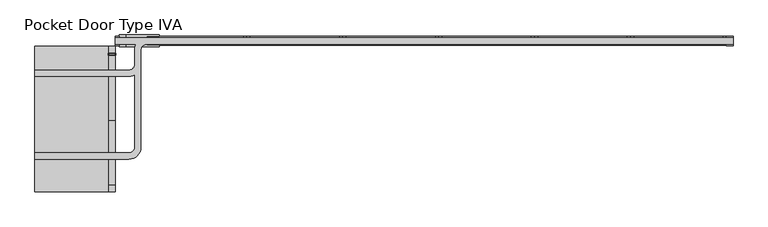
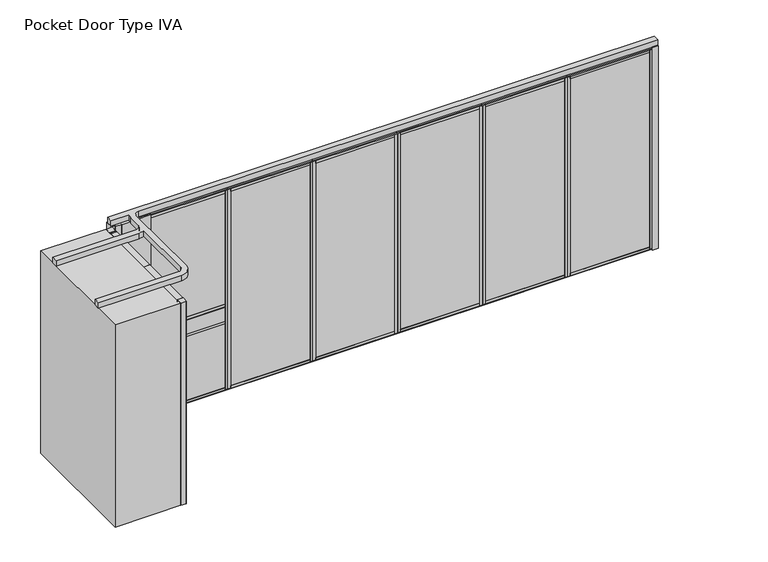
"""IFC4 building model written with IfcOpenShell, lengths in millimetres: proxy geometry, Pocket Door Type IVA."""

from ifc_helpers import new_model, si_unit, point, frame, frame_2d, origin, origin_with_axes, place, context, project, spatial, polyline, circle_curve, trimmed, segment, composite_curve, outline, extrude, source, transform, mapped, element, save


def pocket_door_type_iva_3e1dde41(model_context):
    return source(origin(), model_context, "Body", "SweptSolid", [
        extrude(outline(polyline([(3307.761883, 34.13125), (4396.2577164, 34.13125), (4396.2577164, -34.13125), (3307.761883, -34.13125), (3307.761883, 34.13125)])), origin_with_axes(), (0.0, 0.0, 1.0), 22.225),
        extrude(outline(polyline([(3307.761883, 34.13125), (4396.2577164, 34.13125), (4396.2577164, -34.13125), (3307.761883, -34.13125), (3307.761883, 34.13125)])), frame((0.0, 0.0, 2720.975), z_axis=(0.0, 0.0, 1.0), x_axis=(1.0, 0.0, 0.0)), (0.0, 0.0, 1.0), 22.225),
        extrude(outline(polyline([(3342.940883, -50.8), (3308.015883, -50.8), (3308.015883, 50.8), (3342.940883, 50.8), (3342.940883, -50.8)])), frame((0.0, 0.0, 22.225), z_axis=(0.0, 0.0, 1.0), x_axis=(1.0, 0.0, 0.0)), (0.0, 0.0, 1.0), 2698.75),
        extrude(outline(polyline([(4361.0787164, -50.8), (4361.0787164, 50.8), (4396.0037164, 50.8), (4396.0037164, -50.8), (4361.0787164, -50.8)])), frame((0.0, 0.0, 22.225), z_axis=(0.0, 0.0, 1.0), x_axis=(1.0, 0.0, 0.0)), (0.0, 0.0, 1.0), 2698.75),
        extrude(outline(polyline([(0.0, 9.525), (1063.0958334, 9.525), (1063.0958334, 0.0), (0.0, 0.0), (0.0, 9.525)])), frame((4383.5577164, -36.5125, 52.3875), z_axis=(0.0, 1.4530598946293796e-12, 1.0), x_axis=(-1.0, 0.0, 0.0)), (0.0, 0.0, 1.0), 2638.425),
        extrude(outline(polyline([(0.0, 7.9375), (1063.0958334, 7.9375), (1063.0958334, 0.0), (0.0, 0.0), (0.0, 7.9375)])), frame((4383.5577164, 44.45, 52.3875), z_axis=(0.0, -1.775646296664526e-12, 1.0), x_axis=(-1.0, 0.0, 0.0)), (0.0, 0.0, 1.0), 2638.425),
        extrude(outline(polyline([(36.5125, 2605.0875), (-36.5125, 2605.0875), (-36.5125, 2690.8125), (-50.8, 2690.8125), (-50.8, 2720.975), (50.8, 2720.975), (50.8, 2690.8125), (36.5125, 2690.8125), (36.5125, 2605.0875)])), frame((3342.940883, 0.0, 0.0), z_axis=(1.0, 0.0, 0.0), x_axis=(0.0, 1.0, 0.0)), (0.0, 0.0, 1.0), 1018.1378333),
        extrude(outline(polyline([(50.8, 22.225), (-50.8, 22.225), (-50.8, 52.3875), (-36.5125, 52.3875), (-36.5125, 138.1125), (36.5125, 138.1125), (36.5125, 52.3875), (50.8, 52.3875), (50.8, 22.225)])), frame((3342.940883, 0.0, 0.0), z_axis=(1.0, 0.0, 0.0), x_axis=(0.0, 1.0, 0.0)), (0.0, 0.0, 1.0), 1018.1378333),
        extrude(outline(polyline([(2219.2660497, 34.13125), (3307.761883, 34.13125), (3307.761883, -34.13125), (2219.2660497, -34.13125), (2219.2660497, 34.13125)])), origin_with_axes(), (0.0, 0.0, 1.0), 22.225),
        extrude(outline(polyline([(2219.2660497, 34.13125), (3307.761883, 34.13125), (3307.761883, -34.13125), (2219.2660497, -34.13125), (2219.2660497, 34.13125)])), frame((0.0, 0.0, 2720.975), z_axis=(0.0, 0.0, 1.0), x_axis=(1.0, 0.0, 0.0)), (0.0, 0.0, 1.0), 22.225),
        extrude(outline(polyline([(2254.4450497, -50.8), (2219.5200497, -50.8), (2219.5200497, 50.8), (2254.4450497, 50.8), (2254.4450497, -50.8)])), frame((0.0, 0.0, 22.225), z_axis=(0.0, 0.0, 1.0), x_axis=(1.0, 0.0, 0.0)), (0.0, 0.0, 1.0), 2698.75),
        extrude(outline(polyline([(3272.582883, -50.8), (3272.582883, 50.8), (3307.507883, 50.8), (3307.507883, -50.8), (3272.582883, -50.8)])), frame((0.0, 0.0, 22.225), z_axis=(0.0, 0.0, 1.0), x_axis=(1.0, 0.0, 0.0)), (0.0, 0.0, 1.0), 2698.75),
        extrude(outline(polyline([(0.0, 9.525), (1063.0958333, 9.525), (1063.0958333, 0.0), (0.0, 0.0), (0.0, 9.525)])), frame((3295.061883, -36.5125, 52.3875), z_axis=(0.0, 1.4530598946293796e-12, 1.0), x_axis=(-1.0, 0.0, 0.0)), (0.0, 0.0, 1.0), 2638.425),
        extrude(outline(polyline([(0.0, 7.9375), (1063.0958333, 7.9375), (1063.0958333, 0.0), (0.0, 0.0), (0.0, 7.9375)])), frame((3295.061883, 44.45, 52.3875), z_axis=(0.0, -1.775646296664526e-12, 1.0), x_axis=(-1.0, 0.0, 0.0)), (0.0, 0.0, 1.0), 2638.425),
        extrude(outline(polyline([(36.5125, 2605.0875), (-36.5125, 2605.0875), (-36.5125, 2690.8125), (-50.8, 2690.8125), (-50.8, 2720.975), (50.8, 2720.975), (50.8, 2690.8125), (36.5125, 2690.8125), (36.5125, 2605.0875)])), frame((2254.4450497, 0.0, 0.0), z_axis=(1.0, 0.0, 0.0), x_axis=(0.0, 1.0, 0.0)), (0.0, 0.0, 1.0), 1018.1378333),
        extrude(outline(polyline([(50.8, 22.225), (-50.8, 22.225), (-50.8, 52.3875), (-36.5125, 52.3875), (-36.5125, 138.1125), (36.5125, 138.1125), (36.5125, 52.3875), (50.8, 52.3875), (50.8, 22.225)])), frame((2254.4450497, 0.0, 0.0), z_axis=(1.0, 0.0, 0.0), x_axis=(0.0, 1.0, 0.0)), (0.0, 0.0, 1.0), 1018.1378333),
        extrude(outline(polyline([(1130.7702164, 34.13125), (2219.2660497, 34.13125), (2219.2660497, -34.13125), (1130.7702164, -34.13125), (1130.7702164, 34.13125)])), origin_with_axes(), (0.0, 0.0, 1.0), 22.225),
        extrude(outline(polyline([(1130.7702164, 34.13125), (2219.2660497, 34.13125), (2219.2660497, -34.13125), (1130.7702164, -34.13125), (1130.7702164, 34.13125)])), frame((0.0, 0.0, 2720.975), z_axis=(0.0, 0.0, 1.0), x_axis=(1.0, 0.0, 0.0)), (0.0, 0.0, 1.0), 22.225),
        extrude(outline(polyline([(1165.9492164, -50.8), (1131.0242164, -50.8), (1131.0242164, 50.8), (1165.9492164, 50.8), (1165.9492164, -50.8)])), frame((0.0, 0.0, 22.225), z_axis=(0.0, 0.0, 1.0), x_axis=(1.0, 0.0, 0.0)), (0.0, 0.0, 1.0), 2698.75),
        extrude(outline(polyline([(2184.0870497, -50.8), (2184.0870497, 50.8), (2219.0120497, 50.8), (2219.0120497, -50.8), (2184.0870497, -50.8)])), frame((0.0, 0.0, 22.225), z_axis=(0.0, 0.0, 1.0), x_axis=(1.0, 0.0, 0.0)), (0.0, 0.0, 1.0), 2698.75),
        extrude(outline(polyline([(0.0, 9.525), (1063.0958333, 9.525), (1063.0958333, 0.0), (0.0, 0.0), (0.0, 9.525)])), frame((2206.5660497, -36.5125, 52.3875), z_axis=(0.0, 1.4530598946293796e-12, 1.0), x_axis=(-1.0, 0.0, 0.0)), (0.0, 0.0, 1.0), 2638.425),
        extrude(outline(polyline([(0.0, 7.9375), (1063.0958333, 7.9375), (1063.0958333, 0.0), (0.0, 0.0), (0.0, 7.9375)])), frame((2206.5660497, 44.45, 52.3875), z_axis=(0.0, -1.775646296664526e-12, 1.0), x_axis=(-1.0, 0.0, 0.0)), (0.0, 0.0, 1.0), 2638.425),
        extrude(outline(polyline([(36.5125, 2605.0875), (-36.5125, 2605.0875), (-36.5125, 2690.8125), (-50.8, 2690.8125), (-50.8, 2720.975), (50.8, 2720.975), (50.8, 2690.8125), (36.5125, 2690.8125), (36.5125, 2605.0875)])), frame((1165.9492164, 0.0, 0.0), z_axis=(1.0, 0.0, 0.0), x_axis=(0.0, 1.0, 0.0)), (0.0, 0.0, 1.0), 1018.1378333),
        extrude(outline(polyline([(50.8, 22.225), (-50.8, 22.225), (-50.8, 52.3875), (-36.5125, 52.3875), (-36.5125, 138.1125), (36.5125, 138.1125), (36.5125, 52.3875), (50.8, 52.3875), (50.8, 22.225)])), frame((1165.9492164, 0.0, 0.0), z_axis=(1.0, 0.0, 0.0), x_axis=(0.0, 1.0, 0.0)), (0.0, 0.0, 1.0), 1018.1378333),
        extrude(outline(polyline([(4396.2577164, 34.13125), (5484.7535497, 34.13125), (5484.7535497, -34.13125), (4396.2577164, -34.13125), (4396.2577164, 34.13125)])), origin_with_axes(), (0.0, 0.0, 1.0), 22.225),
        extrude(outline(polyline([(4396.2577164, 34.13125), (5484.7535497, 34.13125), (5484.7535497, -34.13125), (4396.2577164, -34.13125), (4396.2577164, 34.13125)])), frame((0.0, 0.0, 2720.975), z_axis=(0.0, 0.0, 1.0), x_axis=(1.0, 0.0, 0.0)), (0.0, 0.0, 1.0), 22.225),
        extrude(outline(polyline([(4431.4367164, -50.8), (4396.5117164, -50.8), (4396.5117164, 50.8), (4431.4367164, 50.8), (4431.4367164, -50.8)])), frame((0.0, 0.0, 22.225), z_axis=(0.0, 0.0, 1.0), x_axis=(1.0, 0.0, 0.0)), (0.0, 0.0, 1.0), 2698.75),
        extrude(outline(polyline([(5449.5745497, -50.8), (5449.5745497, 50.8), (5484.4995497, 50.8), (5484.4995497, -50.8), (5449.5745497, -50.8)])), frame((0.0, 0.0, 22.225), z_axis=(0.0, 0.0, 1.0), x_axis=(1.0, 0.0, 0.0)), (0.0, 0.0, 1.0), 2698.75),
        extrude(outline(polyline([(0.0, 9.525), (1063.0958333, 9.525), (1063.0958333, 0.0), (0.0, 0.0), (0.0, 9.525)])), frame((5472.0535497, -36.5125, 52.3875), z_axis=(0.0, 1.4530598946293796e-12, 1.0), x_axis=(-1.0, 0.0, 0.0)), (0.0, 0.0, 1.0), 2638.425),
        extrude(outline(polyline([(0.0, 7.9375), (1063.0958333, 7.9375), (1063.0958333, 0.0), (0.0, 0.0), (0.0, 7.9375)])), frame((5472.0535497, 44.45, 52.3875), z_axis=(0.0, -1.775646296664526e-12, 1.0), x_axis=(-1.0, 0.0, 0.0)), (0.0, 0.0, 1.0), 2638.425),
        extrude(outline(polyline([(36.5125, 2605.0875), (-36.5125, 2605.0875), (-36.5125, 2690.8125), (-50.8, 2690.8125), (-50.8, 2720.975), (50.8, 2720.975), (50.8, 2690.8125), (36.5125, 2690.8125), (36.5125, 2605.0875)])), frame((4431.4367164, 0.0, 0.0), z_axis=(1.0, 0.0, 0.0), x_axis=(0.0, 1.0, 0.0)), (0.0, 0.0, 1.0), 1018.1378333),
        extrude(outline(polyline([(50.8, 22.225), (-50.8, 22.225), (-50.8, 52.3875), (-36.5125, 52.3875), (-36.5125, 138.1125), (36.5125, 138.1125), (36.5125, 52.3875), (50.8, 52.3875), (50.8, 22.225)])), frame((4431.4367164, 0.0, 0.0), z_axis=(1.0, 0.0, 0.0), x_axis=(0.0, 1.0, 0.0)), (0.0, 0.0, 1.0), 1018.1378333),
        extrude(outline(polyline([(-1449.4464503, -141.2875), (-1525.6464503, -141.2875), (-1525.6464503, -138.1125), (-1446.2714503, -138.1125), (-1446.2714503, -163.5125), (-1449.4464503, -163.5125), (-1449.4464503, -141.2875)])), origin_with_axes(), (0.0, 0.0, 1.0), 2743.2),
        extrude(outline(polyline([(-1525.6464503, -160.3375), (-1449.4464503, -160.3375), (-1449.4464503, -163.5125), (-1528.8214503, -163.5125), (-1528.8214503, -138.1125), (-1525.6464503, -138.1125), (-1525.6464503, -160.3375)])), origin_with_axes(), (0.0, 0.0, 1.0), 2743.2),
        extrude(outline(composite_curve([segment(polyline([(-1449.4464503, -165.8457069), (-1449.4464503, -897.7792931)]), True, "CONTINUOUS"), segment(trimmed(circle_curve(frame_2d((-1451.7796571, -897.7792931)), 2.3332069), [point((-1449.4464503, -897.7792931))], [point((-1451.7796571, -900.1125))], False, "CARTESIAN"), True, "CONTINUOUS"), segment(polyline([(-1451.7796571, -900.1125), (-1523.3132434, -900.1125)]), True, "CONTINUOUS"), segment(trimmed(circle_curve(frame_2d((-1523.3132434, -897.7792931)), 2.3332069), [point((-1523.3132434, -900.1125))], [point((-1525.6464503, -897.7792931))], False, "CARTESIAN"), True, "CONTINUOUS"), segment(polyline([(-1525.6464503, -897.7792931), (-1525.6464503, -165.8457069)]), True, "CONTINUOUS"), segment(trimmed(circle_curve(frame_2d((-1523.3132434, -165.8457069)), 2.3332069), [point((-1525.6464503, -165.8457069))], [point((-1523.3132434, -163.5125))], False, "CARTESIAN"), True, "CONTINUOUS"), segment(polyline([(-1523.3132434, -163.5125), (-1451.7796571, -163.5125)]), True, "CONTINUOUS"), segment(trimmed(circle_curve(frame_2d((-1451.7796571, -165.8457069)), 2.3332069), [point((-1451.7796571, -163.5125))], [point((-1449.4464503, -165.8457069))], False, "CARTESIAN"), True, "CONTINUOUS")], self_intersect=False)), origin_with_axes(), (0.0, 0.0, 1.0), 2743.2),
        extrude(outline(composite_curve([segment(polyline([(-1449.4464503, -64.2457069), (-1449.4464503, -135.7792931)]), True, "CONTINUOUS"), segment(trimmed(circle_curve(frame_2d((-1451.7796571, -135.7792931)), 2.3332069), [point((-1449.4464503, -135.7792931))], [point((-1451.7796571, -138.1125))], False, "CARTESIAN"), True, "CONTINUOUS"), segment(polyline([(-1451.7796571, -138.1125), (-1523.3132434, -138.1125)]), True, "CONTINUOUS"), segment(trimmed(circle_curve(frame_2d((-1523.3132434, -135.7792931)), 2.3332069), [point((-1523.3132434, -138.1125))], [point((-1525.6464503, -135.7792931))], False, "CARTESIAN"), True, "CONTINUOUS"), segment(polyline([(-1525.6464503, -135.7792931), (-1525.6464503, -64.2457069)]), True, "CONTINUOUS"), segment(trimmed(circle_curve(frame_2d((-1523.3132434, -64.2457069)), 2.3332069), [point((-1525.6464503, -64.2457069))], [point((-1523.3132434, -61.9125))], False, "CARTESIAN"), True, "CONTINUOUS"), segment(polyline([(-1523.3132434, -61.9125), (-1451.7796571, -61.9125)]), True, "CONTINUOUS"), segment(trimmed(circle_curve(frame_2d((-1451.7796571, -64.2457069)), 2.3332069), [point((-1451.7796571, -61.9125))], [point((-1449.4464503, -64.2457069))], False, "CARTESIAN"), True, "CONTINUOUS")], self_intersect=False)), origin_with_axes(), (0.0, 0.0, 1.0), 2743.2),
        extrude(outline(composite_curve([segment(polyline([(-1449.4464503, -1639.0457069), (-1449.4464503, -1710.5792931)]), True, "CONTINUOUS"), segment(trimmed(circle_curve(frame_2d((-1451.7796571, -1710.5792931)), 2.3332069), [point((-1449.4464503, -1710.5792931))], [point((-1451.7796571, -1712.9125))], False, "CARTESIAN"), True, "CONTINUOUS"), segment(polyline([(-1451.7796571, -1712.9125), (-1523.3132434, -1712.9125)]), True, "CONTINUOUS"), segment(trimmed(circle_curve(frame_2d((-1523.3132434, -1710.5792931)), 2.3332069), [point((-1523.3132434, -1712.9125))], [point((-1525.6464503, -1710.5792931))], False, "CARTESIAN"), True, "CONTINUOUS"), segment(polyline([(-1525.6464503, -1710.5792931), (-1525.6464503, -1639.0457069)]), True, "CONTINUOUS"), segment(trimmed(circle_curve(frame_2d((-1523.3132434, -1639.0457069)), 2.3332069), [point((-1525.6464503, -1639.0457069))], [point((-1523.3132434, -1636.7125))], False, "CARTESIAN"), True, "CONTINUOUS"), segment(polyline([(-1523.3132434, -1636.7125), (-1451.7796571, -1636.7125)]), True, "CONTINUOUS"), segment(trimmed(circle_curve(frame_2d((-1451.7796571, -1639.0457069)), 2.3332069), [point((-1451.7796571, -1636.7125))], [point((-1449.4464503, -1639.0457069))], False, "CARTESIAN"), True, "CONTINUOUS")], self_intersect=False)), origin_with_axes(), (0.0, 0.0, 1.0), 2743.2),
        extrude(outline(composite_curve([segment(polyline([(-1449.4464503, -902.4457069), (-1449.4464503, -1634.3792931)]), True, "CONTINUOUS"), segment(trimmed(circle_curve(frame_2d((-1451.7796571, -1634.3792931)), 2.3332069), [point((-1449.4464503, -1634.3792931))], [point((-1451.7796571, -1636.7125))], False, "CARTESIAN"), True, "CONTINUOUS"), segment(polyline([(-1451.7796571, -1636.7125), (-1523.3132434, -1636.7125)]), True, "CONTINUOUS"), segment(trimmed(circle_curve(frame_2d((-1523.3132434, -1634.3792931)), 2.3332069), [point((-1523.3132434, -1636.7125))], [point((-1525.6464503, -1634.3792931))], False, "CARTESIAN"), True, "CONTINUOUS"), segment(polyline([(-1525.6464503, -1634.3792931), (-1525.6464503, -902.4457069)]), True, "CONTINUOUS"), segment(trimmed(circle_curve(frame_2d((-1523.3132434, -902.4457069)), 2.3332069), [point((-1525.6464503, -902.4457069))], [point((-1523.3132434, -900.1125))], False, "CARTESIAN"), True, "CONTINUOUS"), segment(polyline([(-1523.3132434, -900.1125), (-1451.7796571, -900.1125)]), True, "CONTINUOUS"), segment(trimmed(circle_curve(frame_2d((-1451.7796571, -902.4457069)), 2.3332069), [point((-1451.7796571, -900.1125))], [point((-1449.4464503, -902.4457069))], False, "CARTESIAN"), True, "CONTINUOUS")], self_intersect=False)), origin_with_axes(), (0.0, 0.0, 1.0), 2743.2),
        extrude(outline(polyline([(-1404.9964503, -53.975), (-1449.4464503, -53.975), (-1449.4464503, 53.975), (-1404.9964503, 53.975), (-1404.9964503, -53.975)])), origin_with_axes(), (0.0, 0.0, 1.0), 2743.2),
        extrude(outline(polyline([(42.274383, 34.13125), (1130.7702164, 34.13125), (1130.7702164, -34.13125), (42.274383, -34.13125), (42.274383, 34.13125)])), origin_with_axes(), (0.0, 0.0, 1.0), 22.225),
        extrude(outline(polyline([(42.274383, 34.13125), (1130.7702164, 34.13125), (1130.7702164, -34.13125), (42.274383, -34.13125), (42.274383, 34.13125)])), frame((0.0, 0.0, 2720.975), z_axis=(0.0, 0.0, 1.0), x_axis=(1.0, 0.0, 0.0)), (0.0, 0.0, 1.0), 22.225),
        extrude(outline(polyline([(77.453383, -50.8), (42.528383, -50.8), (42.528383, 50.8), (77.453383, 50.8), (77.453383, -50.8)])), frame((0.0, 0.0, 22.225), z_axis=(0.0, 0.0, 1.0), x_axis=(1.0, 0.0, 0.0)), (0.0, 0.0, 1.0), 2698.75),
        extrude(outline(polyline([(1095.5912164, -50.8), (1095.5912164, 50.8), (1130.5162164, 50.8), (1130.5162164, -50.8), (1095.5912164, -50.8)])), frame((0.0, 0.0, 22.225), z_axis=(0.0, 0.0, 1.0), x_axis=(1.0, 0.0, 0.0)), (0.0, 0.0, 1.0), 2698.75),
        extrude(outline(polyline([(0.0, 9.525), (1063.0958334, 9.525), (1063.0958334, 0.0), (0.0, 0.0), (0.0, 9.525)])), frame((1118.0702164, -36.5125, 52.3875), z_axis=(0.0, 1.4530598946293796e-12, 1.0), x_axis=(-1.0, 0.0, 0.0)), (0.0, 0.0, 1.0), 2638.425),
        extrude(outline(polyline([(0.0, 7.9375), (1063.0958334, 7.9375), (1063.0958334, 0.0), (0.0, 0.0), (0.0, 7.9375)])), frame((1118.0702164, 44.45, 52.3875), z_axis=(0.0, -1.775646296664526e-12, 1.0), x_axis=(-1.0, 0.0, 0.0)), (0.0, 0.0, 1.0), 2638.425),
        extrude(outline(polyline([(36.5125, 2605.0875), (-36.5125, 2605.0875), (-36.5125, 2690.8125), (-50.8, 2690.8125), (-50.8, 2720.975), (50.8, 2720.975), (50.8, 2690.8125), (36.5125, 2690.8125), (36.5125, 2605.0875)])), frame((77.453383, 0.0, 0.0), z_axis=(1.0, 0.0, 0.0), x_axis=(0.0, 1.0, 0.0)), (0.0, 0.0, 1.0), 1018.1378333),
        extrude(outline(polyline([(50.8, 22.225), (-50.8, 22.225), (-50.8, 52.3875), (-36.5125, 52.3875), (-36.5125, 138.1125), (36.5125, 138.1125), (36.5125, 52.3875), (50.8, 52.3875), (50.8, 22.225)])), frame((77.453383, 0.0, 0.0), z_axis=(1.0, 0.0, 0.0), x_axis=(0.0, 1.0, 0.0)), (0.0, 0.0, 1.0), 1018.1378333),
        extrude(outline(polyline([(-1331.9714503, -68.2625), (-1404.9964503, -68.2625), (-1404.9964503, 68.2625), (-1331.9714503, 68.2625), (-1331.9714503, -68.2625)])), origin_with_axes(), (0.0, 0.0, 1.0), 2743.2),
        extrude(outline(polyline([(-954.1464503, -68.2625), (-1331.9714503, -68.2625), (-1331.9714503, 68.2625), (-954.1464503, 68.2625), (-954.1464503, 50.8), (-1093.8464503, 50.8), (-1093.8464503, -50.8), (-954.1464503, -50.8), (-954.1464503, -68.2625)])), origin_with_axes(), (0.0, 0.0, 1.0), 2743.2),
        extrude(outline(polyline([(5560.9535497, -53.975), (5484.7535497, -53.975), (5484.7535497, 53.975), (5560.9535497, 53.975), (5560.9535497, -53.975)])), origin_with_axes(), (0.0, 0.0, 1.0), 2743.2),
        extrude(outline(polyline([(44.846875, 914.4), (0.0, 914.4), (-46.2359375, 914.4), (-46.2359375, 952.5), (-50.8, 952.5), (-50.8, 1143.0), (-46.2359375, 1143.0), (-46.2359375, 1181.1), (0.0, 1181.1), (44.846875, 1181.1), (44.846875, 1143.0), (50.8, 1143.0), (50.8, 952.5), (44.846875, 952.5), (44.846875, 914.4)])), frame((-1058.6674503, 0.0, 0.0), z_axis=(1.0, 0.0, 0.0), x_axis=(0.0, 1.0, 0.0)), (0.0, 0.0, 1.0), 1065.7628333),
        extrude(outline(polyline([(-1093.8464503, 34.13125), (42.274383, 34.13125), (42.274383, -34.13125), (-1093.8464503, -34.13125), (-1093.8464503, 34.13125)])), origin_with_axes(), (0.0, 0.0, 1.0), 22.225),
        extrude(outline(polyline([(-1093.8464503, 34.13125), (42.274383, 34.13125), (42.274383, -34.13125), (-1093.8464503, -34.13125), (-1093.8464503, 34.13125)])), frame((0.0, 0.0, 2720.975), z_axis=(0.0, 0.0, 1.0), x_axis=(1.0, 0.0, 0.0)), (0.0, 0.0, 1.0), 22.225),
        extrude(outline(polyline([(-1058.6674503, -50.8), (-1093.5924503, -50.8), (-1093.5924503, 50.8), (-1058.6674503, 50.8), (-1058.6674503, -50.8)])), frame((0.0, 0.0, 22.225), z_axis=(0.0, 0.0, 1.0), x_axis=(1.0, 0.0, 0.0)), (0.0, 0.0, 1.0), 2698.75),
        extrude(outline(polyline([(7.095383, -50.8), (7.095383, 50.8), (42.020383, 50.8), (42.020383, -50.8), (7.095383, -50.8)])), frame((0.0, 0.0, 22.225), z_axis=(0.0, 0.0, 1.0), x_axis=(1.0, 0.0, 0.0)), (0.0, 0.0, 1.0), 2698.75),
        extrude(outline(polyline([(0.0, 9.525), (1110.7208333, 9.525), (1110.7208333, 0.0), (0.0, 0.0), (0.0, 9.525)])), frame((29.574383, -36.5125, 52.3875), z_axis=(0.0, 1.4530598946293796e-12, 1.0), x_axis=(-1.0, 0.0, 0.0)), (0.0, 0.0, 1.0), 2638.425),
        extrude(outline(polyline([(0.0, 7.9375), (1110.7208333, 7.9375), (1110.7208333, 0.0), (0.0, 0.0), (0.0, 7.9375)])), frame((29.574383, 44.45, 52.3875), z_axis=(0.0, -1.775646296664526e-12, 1.0), x_axis=(-1.0, 0.0, 0.0)), (0.0, 0.0, 1.0), 2638.425),
        extrude(outline(polyline([(36.5125, 2605.0875), (-36.5125, 2605.0875), (-36.5125, 2690.8125), (-50.8, 2690.8125), (-50.8, 2720.975), (50.8, 2720.975), (50.8, 2690.8125), (36.5125, 2690.8125), (36.5125, 2605.0875)])), frame((-1058.6674503, 0.0, 0.0), z_axis=(1.0, 0.0, 0.0), x_axis=(0.0, 1.0, 0.0)), (0.0, 0.0, 1.0), 1065.7628333),
        extrude(outline(polyline([(50.8, 22.225), (-50.8, 22.225), (-50.8, 52.3875), (-36.5125, 52.3875), (-36.5125, 138.1125), (36.5125, 138.1125), (36.5125, 52.3875), (50.8, 52.3875), (50.8, 22.225)])), frame((-1058.6674503, 0.0, 0.0), z_axis=(1.0, 0.0, 0.0), x_axis=(0.0, 1.0, 0.0)), (0.0, 0.0, 1.0), 1065.7628333),
        extrude(outline(composite_curve([segment(polyline([(-1449.4464503, 35.71875), (5560.9535497, 35.71875), (5560.9535497, -35.71875), (-1093.8464503, -35.71875)]), True, "CONTINUOUS"), segment(trimmed(circle_curve(frame_2d((-1093.8464503, -101.6)), 65.88125), [point((-1093.8464503, -35.71875))], [point((-1159.7277003, -101.6))], True, "CARTESIAN"), True, "CONTINUOUS"), segment(polyline([(-1159.7277003, -101.6), (-1159.7277003, -1204.9125)]), True, "CONTINUOUS"), segment(trimmed(circle_curve(frame_2d((-1297.0464503, -1204.9125)), 137.31875), [point((-1159.7277003, -1204.9125))], [point((-1297.0464503, -1342.23125))], False, "CARTESIAN"), True, "CONTINUOUS"), segment(polyline([(-1297.0464503, -1342.23125), (-2363.8464503, -1342.23125), (-2363.8464503, -1270.79375), (-1297.0464503, -1270.79375)]), True, "CONTINUOUS"), segment(trimmed(circle_curve(frame_2d((-1297.0464503, -1204.9125)), 65.88125), [point((-1297.0464503, -1270.79375))], [point((-1231.1652003, -1204.9125))], True, "CARTESIAN"), True, "CONTINUOUS"), segment(polyline([(-1231.1652003, -1204.9125), (-1231.1652003, -385.5952789)]), True, "CONTINUOUS"), segment(trimmed(circle_curve(frame_2d((-1297.0464503, -265.1125)), 137.31875), [point((-1231.1652003, -385.5952789))], [point((-1297.0464503, -402.43125))], False, "CARTESIAN"), True, "CONTINUOUS"), segment(polyline([(-1297.0464503, -402.43125), (-2363.8464503, -402.43125), (-2363.8464503, -330.99375), (-1297.0464503, -330.99375)]), True, "CONTINUOUS"), segment(trimmed(circle_curve(frame_2d((-1297.0464503, -265.1125)), 65.88125), [point((-1297.0464503, -330.99375))], [point((-1231.1652003, -265.1125))], True, "CARTESIAN"), True, "CONTINUOUS"), segment(polyline([(-1231.1652003, -265.1125), (-1231.1652003, -101.6)]), True, "CONTINUOUS"), segment(trimmed(circle_curve(frame_2d((-1093.8464503, -101.6)), 137.31875), [point((-1231.1652003, -101.6))], [point((-1214.3292291, -35.71875))], False, "CARTESIAN"), True, "CONTINUOUS"), segment(polyline([(-1214.3292291, -35.71875), (-1449.4464503, -35.71875), (-1449.4464503, 35.71875)]), True, "CONTINUOUS")], self_intersect=False)), frame((0.0, 0.0, 2743.2), z_axis=(0.0, 0.0, 1.0), x_axis=(1.0, 0.0, 0.0)), (0.0, 0.0, 1.0), 74.6125),
        extrude(outline(polyline([(-1449.4464503, -61.9125), (-1449.4464503, -1712.9125), (-2363.8464503, -1712.9125), (-2363.8464503, -61.9125), (-1449.4464503, -61.9125)])), origin_with_axes(), (0.0, 0.0, 1.0), 2743.2),
    ])


if __name__ == "__main__":
    model = new_model("IFC4")
    model_context = context("Model", 3, world=origin())
    ifc_project = project(units=[si_unit("LENGTHUNIT", "METRE", prefix="MILLI")], contexts=[model_context])
    site = spatial("IfcSite", under=ifc_project)
    building = spatial("IfcBuilding", under=site)
    placement = place(None, origin())
    pocket_door_type_iva_shape = pocket_door_type_iva_3e1dde41(model_context)
    element("IfcBuildingElementProxy", 1, Name="Pocket Door Type IVA", ObjectType="Pocket Door Type IVA", at=placement, inside=building, context=model_context, shape_type="MappedRepresentation", body=[
        mapped(pocket_door_type_iva_shape, transform((0.0, 0.0, 0.0), x_axis=(1.0, 0.0, 0.0), y_axis=(0.0, 1.0, 0.0), z_axis=(0.0, 0.0, 1.0))),
    ])
    save(model, "model.ifc")
